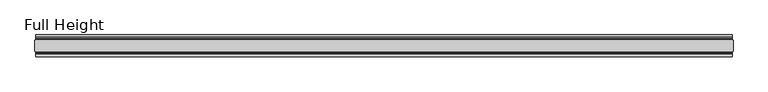
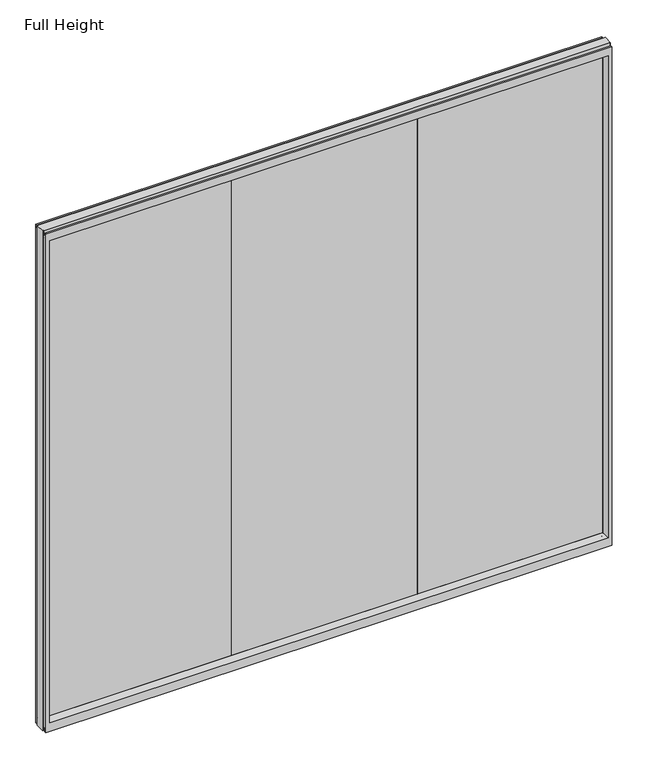
"""IFC4 building model written with IfcOpenShell, lengths in millimetres: plate geometry, Full Height."""

from ifc_helpers import new_model, si_unit, frame, origin, place, context, project, spatial, polyline, circle_curve, outline, extrude, source, transform, mapped, element, save
from ifc_brep_helpers import plane_surface, cylinder_surface, revolved_surface, advanced_brep


def full_height_3cfaab78(model_context):
    return source(origin(), model_context, "Body", "SolidModel", [
        extrude(outline(polyline([(525.43075, 6.35), (525.43075, -6.35), (-525.43075, -6.35), (-525.43075, 6.35), (525.43075, 6.35)])), frame((0.0, 0.0, 58.801), z_axis=(0.0, 0.0, 1.0), x_axis=(1.0, 0.0, 0.0)), (0.0, 0.0, 1.0), 2874.645),
        extrude(outline(polyline([(-525.43075, 6.35), (-525.43075, -6.35), (-1576.29225, -6.35), (-1576.29225, 6.35), (-525.43075, 6.35)])), frame((0.0, 0.0, 58.801), z_axis=(0.0, 0.0, 1.0), x_axis=(1.0, 0.0, 0.0)), (0.0, 0.0, 1.0), 2874.645),
        extrude(outline(polyline([(525.43075, 6.35), (1576.29225, 6.35), (1576.29225, -6.35), (525.43075, -6.35), (525.43075, 6.35)])), frame((0.0, 0.0, 58.801), z_axis=(0.0, 0.0, 1.0), x_axis=(1.0, 0.0, 0.0)), (0.0, 0.0, 1.0), 2874.645),
        advanced_brep(
        [(1608.93125, 25.146, 2993.136), (1604.35925, 25.146, 2993.136), (1604.35925, 26.67, 2993.136), (-1604.35925, 26.67, 2993.136), (-1604.35925, 25.146, 2993.136), (-1608.93125, 25.146, 2993.136), (-1608.93125, -25.146, 2993.136), (-1604.35925, -25.146, 2993.136), (-1604.35925, -26.67, 2993.136), (1604.35925, -26.67, 2993.136), (1604.35925, -25.146, 2993.136), (1608.93125, -25.146, 2993.136), (1608.93125, 25.146, 0.0), (1608.93125, -25.146, 0.0), (1604.35925, -25.146, 0.0), (1604.35925, -26.67, 0.0), (-1604.35925, -26.67, 0.0), (-1604.35925, -25.146, 0.0), (-1608.93125, -25.146, 0.0), (-1608.93125, 25.146, 0.0), (-1604.35925, 25.146, 0.0), (-1604.35925, 26.67, 0.0), (1604.35925, 26.67, 0.0), (1604.35925, 25.146, 0.0), (-1604.35925, 40.7946686, 0.0), (-1604.35925, 50.0, 0.0), (1604.35925, 50.0, 0.0), (1604.35925, 40.7946686, 0.0), (-1604.35925, 26.67, 36.4542208), (1604.35925, 26.67, 36.4542208), (-1604.35925, -26.67, 36.4542208), (-1604.35925, -34.2686707, 36.8568054), (-1604.35925, -36.9464913, 11.6561909), (-1604.35925, -39.043018, 8.6755976), (-1604.35925, -39.5246686, 7.9074686), (-1604.35925, -39.5246686, 1.27), (-1604.35925, -40.7946686, 0.0), (-1604.35925, -50.0, 0.0), (-1604.35925, -50.0, 2983.992), (-1604.35925, -39.9371387, 2983.992), (-1604.35925, -39.1867152, 2983.3623199), (-1604.35925, -34.2321175, 2955.2634004), (-1604.35925, -26.67, 2955.925), (-1604.35925, 39.5246686, 1.27), (-1604.35925, 39.5246686, 7.9074686), (-1604.35925, 39.043018, 8.6755976), (-1604.35925, 36.9464913, 11.6561909), (-1604.35925, 34.2686707, 36.8568054), (-1604.35925, 26.67, 2955.925), (-1604.35925, 34.2321175, 2955.2634004), (-1604.35925, 39.1867152, 2983.3623199), (-1604.35925, 39.9371387, 2983.992), (-1604.35925, 50.0, 2983.992), (1604.35925, -50.0, 0.0), (1604.35925, -50.0, 2983.992), (-1582.26125, -50.0, 2939.415), (1582.26125, -50.0, 2939.415), (1582.26125, -50.0, 52.8372208), (-1582.26125, -50.0, 52.8372208), (1604.35925, 50.0, 2983.992), (-1582.26125, 50.0, 52.8372208), (1582.26125, 50.0, 52.8372208), (1582.26125, 50.0, 2939.415), (-1582.26125, 50.0, 2939.415), (-1576.29225, -6.1006519, 58.8062208), (-1576.29225, -6.1006519, 2933.446), (-1576.29225, 6.1006519, 2933.446), (-1576.29225, 6.1006519, 58.8062208), (1576.29225, 6.1006519, 58.8062208), (1576.29225, 6.1006519, 2933.446), (1576.29225, -6.1006519, 2933.446), (1576.29225, -6.1006519, 58.8062208), (1604.35925, -40.7946686, 0.0), (1604.35925, -39.5246686, 1.27), (1604.35925, -39.5246686, 7.9074686), (1604.35925, -39.043018, 8.6755976), (1604.35925, -36.9464913, 11.6561909), (1604.35925, -34.2686707, 36.8568054), (1604.35925, -26.67, 36.4542208), (1604.35925, -26.67, 2955.925), (1604.35925, -34.2321175, 2955.2634004), (1604.35925, -39.1867152, 2983.3623199), (1604.35925, -39.9371387, 2983.992), (1604.35925, 39.9371387, 2983.992), (1604.35925, 39.1867152, 2983.3623199), (1604.35925, 34.2321175, 2955.2634004), (1604.35925, 26.67, 2955.925), (1604.35925, 34.2686707, 36.8568054), (1604.35925, 36.9464913, 11.6561909), (1604.35925, 39.043018, 8.6755976), (1604.35925, 39.5246686, 7.9074686), (1604.35925, 39.5246686, 1.27)],
        [
            (0, 1),
            (1, 2),
            (2, 3),
            (3, 4),
            (4, 5),
            (5, 6),
            (6, 7),
            (7, 8),
            (8, 9),
            (9, 10),
            (10, 11),
            (11, 0),
            (12, 13),
            (13, 14),
            (14, 15),
            (15, 16),
            (16, 17),
            (17, 18),
            (18, 19),
            (19, 20),
            (20, 21),
            (21, 22),
            (22, 23),
            (23, 12),
            (23, 1),
            (0, 12),
            (10, 14),
            (13, 11),
            (5, 19),
            (18, 6),
            (17, 7),
            (4, 20),
            (24, 25),
            (25, 26),
            (26, 27),
            (27, 24),
            (21, 28),
            (28, 29),
            (29, 22),
            (16, 30),
            (30, 31, circle_curve(frame((-1604.35925, -30.48, 36.4542208), z_axis=(1.0, 0.0, 0.0), x_axis=(0.0, -1.0, 0.0)), 3.81)),
            (31, 32),
            (32, 33, circle_curve(frame((-1604.35925, -40.6770502, 12.0526006), z_axis=(-1.0, 0.0, 0.0), x_axis=(0.0, -1.0, 0.0)), 3.751561)),
            (33, 34, circle_curve(frame((-1604.35925, -38.671343, 7.9074686), z_axis=(1.0, 0.0, 0.0), x_axis=(0.0, -1.0, 0.0)), 0.8533256)),
            (34, 35),
            (35, 36, circle_curve(frame((-1604.35925, -40.7946686, 1.27), z_axis=(-1.0, 0.0, 0.0), x_axis=(0.0, -1.0, 0.0)), 1.27)),
            (36, 37),
            (37, 38),
            (38, 39),
            (39, 40, circle_curve(frame((-1604.35925, -39.9371387, 2983.23), z_axis=(-1.0, 0.0, 0.0), x_axis=(0.0, -1.0, 0.0)), 0.762)),
            (40, 41),
            (41, 42, circle_curve(frame((-1604.35925, -30.48, 2955.925), z_axis=(1.0, 0.0, 0.0), x_axis=(0.0, -1.0, 0.0)), 3.81)),
            (42, 8),
            (24, 43, circle_curve(frame((-1604.35925, 40.7946686, 1.27), z_axis=(-1.0, 0.0, 0.0), x_axis=(0.0, -1.0, 0.0)), 1.27)),
            (43, 44),
            (44, 45, circle_curve(frame((-1604.35925, 38.671343, 7.9074686), z_axis=(1.0, 0.0, 0.0), x_axis=(0.0, -1.0, 0.0)), 0.8533256)),
            (45, 46, circle_curve(frame((-1604.35925, 40.6770502, 12.0526006), z_axis=(-1.0, 0.0, 0.0), x_axis=(0.0, -1.0, 0.0)), 3.751561)),
            (46, 47),
            (47, 28, circle_curve(frame((-1604.35925, 30.48, 36.4542208), z_axis=(1.0, 0.0, 0.0), x_axis=(0.0, -1.0, 0.0)), 3.81)),
            (3, 48),
            (48, 49, circle_curve(frame((-1604.35925, 30.48, 2955.925), z_axis=(1.0, 0.0, 0.0), x_axis=(0.0, -1.0, 0.0)), 3.81)),
            (49, 50),
            (50, 51, circle_curve(frame((-1604.35925, 39.9371387, 2983.23), z_axis=(-1.0, 0.0, 0.0), x_axis=(0.0, -1.0, 0.0)), 0.762)),
            (51, 52),
            (52, 25),
            (37, 53),
            (53, 54),
            (54, 38),
            (55, 56),
            (56, 57),
            (57, 58),
            (58, 55),
            (52, 59),
            (59, 26),
            (60, 61),
            (61, 62),
            (62, 63),
            (63, 60),
            (58, 64),
            (64, 65),
            (65, 55),
            (63, 66),
            (66, 67),
            (67, 60),
            (61, 68),
            (68, 69),
            (69, 62),
            (70, 71),
            (71, 57),
            (56, 70),
            (53, 72),
            (72, 73, circle_curve(frame((1604.35925, -40.7946686, 1.27), z_axis=(1.0, 0.0, 0.0), x_axis=(0.0, -1.0, 0.0)), 1.27)),
            (73, 74),
            (74, 75, circle_curve(frame((1604.35925, -38.671343, 7.9074686), z_axis=(-1.0, 0.0, 0.0), x_axis=(0.0, -1.0, 0.0)), 0.8533256)),
            (75, 76, circle_curve(frame((1604.35925, -40.6770502, 12.0526006), z_axis=(1.0, 0.0, 0.0), x_axis=(0.0, -1.0, 0.0)), 3.751561)),
            (76, 77),
            (77, 78, circle_curve(frame((1604.35925, -30.48, 36.4542208), z_axis=(-1.0, 0.0, 0.0), x_axis=(0.0, -1.0, 0.0)), 3.81)),
            (78, 15),
            (9, 79),
            (79, 80, circle_curve(frame((1604.35925, -30.48, 2955.925), z_axis=(-1.0, 0.0, 0.0), x_axis=(0.0, -1.0, 0.0)), 3.81)),
            (80, 81),
            (81, 82, circle_curve(frame((1604.35925, -39.9371387, 2983.23), z_axis=(1.0, 0.0, 0.0), x_axis=(0.0, -1.0, 0.0)), 0.762)),
            (82, 54),
            (59, 83),
            (83, 84, circle_curve(frame((1604.35925, 39.9371387, 2983.23), z_axis=(1.0, 0.0, 0.0), x_axis=(0.0, -1.0, 0.0)), 0.762)),
            (84, 85),
            (85, 86, circle_curve(frame((1604.35925, 30.48, 2955.925), z_axis=(-1.0, 0.0, 0.0), x_axis=(0.0, -1.0, 0.0)), 3.81)),
            (86, 2),
            (29, 87, circle_curve(frame((1604.35925, 30.48, 36.4542208), z_axis=(-1.0, 0.0, 0.0), x_axis=(0.0, -1.0, 0.0)), 3.81)),
            (87, 88),
            (88, 89, circle_curve(frame((1604.35925, 40.6770502, 12.0526006), z_axis=(1.0, 0.0, 0.0), x_axis=(0.0, -1.0, 0.0)), 3.751561)),
            (89, 90, circle_curve(frame((1604.35925, 38.671343, 7.9074686), z_axis=(-1.0, 0.0, 0.0), x_axis=(0.0, -1.0, 0.0)), 0.8533256)),
            (90, 91),
            (91, 27, circle_curve(frame((1604.35925, 40.7946686, 1.27), z_axis=(1.0, 0.0, 0.0), x_axis=(0.0, -1.0, 0.0)), 1.27)),
            (91, 43),
            (90, 44),
            (89, 45),
            (88, 46),
            (87, 47),
            (78, 30),
            (31, 77),
            (76, 32),
            (75, 33),
            (74, 34),
            (73, 35),
            (72, 36),
            (71, 64),
            (67, 68),
            (86, 48),
            (85, 49),
            (84, 50),
            (83, 51),
            (69, 66),
            (65, 70),
            (82, 39),
            (81, 40),
            (80, 41),
            (79, 42),
            (65, 66),
            (69, 70),
            (71, 68),
            (67, 64),
        ],
        [
            plane_surface(frame((1604.35925, 25.146, 2993.136), z_axis=(0.0, 0.0, 1.0), x_axis=(-1.0, 0.0, 0.0))),
            plane_surface(frame((1604.35925, 25.146, 0.0), z_axis=(0.0, 0.0, -1.0), x_axis=(1.0, 0.0, 0.0))),
            plane_surface(frame((1608.93125, 25.146, 2993.136), z_axis=(0.0, 1.0, 0.0), x_axis=(0.0, 0.0, -1.0))),
            plane_surface(frame((1604.35925, -25.146, 2993.136), z_axis=(0.0, -1.0, 0.0), x_axis=(0.0, 0.0, -1.0))),
            plane_surface(frame((1608.93125, -25.146, 2993.136), z_axis=(1.0, 0.0, 0.0), x_axis=(0.0, 0.0, -1.0))),
            plane_surface(frame((-1608.93125, 25.146, 2993.136), z_axis=(-1.0, 0.0, 0.0), x_axis=(0.0, 0.0, -1.0))),
            plane_surface(frame((-1608.93125, -25.146, 2993.136), z_axis=(0.0, -1.0, 0.0), x_axis=(0.0, 0.0, -1.0))),
            plane_surface(frame((-1604.35925, 25.146, 2993.136), z_axis=(0.0, 1.0, 0.0), x_axis=(0.0, 0.0, -1.0))),
            plane_surface(frame((-1604.35925, 50.0, 0.0), z_axis=(0.0, 0.0, -1.0), x_axis=(1.0, 0.0, 0.0))),
            plane_surface(frame((-1604.35925, 26.67, 36.4542208), z_axis=(0.0, 1.0, 0.0), x_axis=(1.0, 0.0, 0.0))),
            plane_surface(frame((-1604.35925, 50.0, 2951.2006), z_axis=(-1.0, 0.0, 0.0), x_axis=(0.0, 0.0, -1.0))),
            plane_surface(frame((-1604.35925, -50.0, 2951.2006), z_axis=(0.0, -1.0, 0.0), x_axis=(0.0, 0.0, -1.0))),
            plane_surface(frame((-1582.26125, 50.0, 2951.2006), z_axis=(0.0, 1.0, 0.0), x_axis=(0.0, 0.0, -1.0))),
            plane_surface(frame((-1582.26125, -50.0, 2951.2006), z_axis=(0.9908822943533606, -0.13473039277393942, 0.0), x_axis=(0.0, 0.0, -1.0))),
            plane_surface(frame((-1576.29225, 6.1006519, 2951.2006), z_axis=(0.9908822943533612, 0.13473039277393595, 0.0), x_axis=(0.0, 0.0, -1.0))),
            plane_surface(frame((1582.26125, 50.0, 2951.2006), z_axis=(-0.9908822943533593, 0.13473039277394933, 0.0), x_axis=(0.0, 0.0, -1.0))),
            plane_surface(frame((1576.29225, -6.1006519, 2951.2006), z_axis=(-0.9908822943533551, -0.13473039277398055, 0.0), x_axis=(0.0, 0.0, -1.0))),
            plane_surface(frame((1604.35925, -50.0, 2951.2006), z_axis=(1.0, 0.0, 0.0), x_axis=(0.0, 0.0, -1.0))),
            cylinder_surface(frame((1604.35925, 40.7946686, 1.27), z_axis=(-1.0, 0.0, 0.0), x_axis=(0.0, -1.0, 0.0)), 1.27),
            plane_surface(frame((-1604.35925, 39.5246686, 1.27), z_axis=(0.0, -1.0, 0.0), x_axis=(1.0, 0.0, 0.0))),
            revolved_surface(polyline([(1604.35925, 37.8180174, 7.9074686), (-1604.35925, 37.8180174, 7.9074686)]), (1604.35925, 38.671343, 7.9074686), (1.0, 0.0, 0.0)),
            cylinder_surface(frame((1604.35925, 40.6770502, 12.0526006), z_axis=(-1.0, 0.0, 0.0), x_axis=(0.0, -1.0, 0.0)), 3.751561),
            plane_surface(frame((-1604.35925, 36.9464913, 11.6561909), z_axis=(0.0, -0.9944017560866673, -0.1056652615184024), x_axis=(1.0, 0.0, 0.0))),
            plane_surface(frame((-1604.35925, -26.67, 0.0), z_axis=(0.0, -1.0, 0.0), x_axis=(1.0, 0.0, 0.0))),
            plane_surface(frame((-1604.35925, -34.2686707, 36.8568054), z_axis=(0.0, 0.9944017560866221, -0.1056652615188275), x_axis=(1.0, 0.0, 0.0))),
            cylinder_surface(frame((1604.35925, -40.6770502, 12.0526006), z_axis=(-1.0, 0.0, 0.0), x_axis=(0.0, -1.0, 0.0)), 3.751561),
            revolved_surface(polyline([(1604.35925, -39.5246686, 7.9074686), (-1604.35925, -39.5246686, 7.9074686)]), (1604.35925, -38.671343, 7.9074686), (1.0, 0.0, 0.0)),
            plane_surface(frame((-1604.35925, -39.5246686, 7.9074686), z_axis=(0.0, 1.0, 0.0), x_axis=(1.0, 0.0, 0.0))),
            cylinder_surface(frame((1604.35925, -40.7946686, 1.27), z_axis=(-1.0, 0.0, 0.0), x_axis=(0.0, -1.0, 0.0)), 1.27),
            plane_surface(frame((-1604.35925, -40.7946686, 0.0), z_axis=(0.0, 0.0, -1.0), x_axis=(1.0, 0.0, 0.0))),
            plane_surface(frame((-1604.35925, -50.0, 52.8372208), z_axis=(0.0, -0.13473039277394736, 0.9908822943533596), x_axis=(1.0, 0.0, 0.0))),
            plane_surface(frame((-1604.35925, 6.1006519, 58.8062208), z_axis=(0.0, 0.13473039277399934, 0.9908822943533526), x_axis=(1.0, 0.0, 0.0))),
            revolved_surface(polyline([(1604.35925, 26.67, 36.4542208), (-1604.35925, 26.67, 36.4542208)]), (1604.35925, 30.48, 36.4542208), (1.0, 0.0, 0.0)),
            revolved_surface(polyline([(1604.35925, -34.29, 36.4542208), (-1604.35925, -34.29, 36.4542208)]), (1604.35925, -30.48, 36.4542208), (1.0, 0.0, 0.0)),
            plane_surface(frame((-1604.35925, 26.67, 2993.136), z_axis=(0.0, 1.0, 0.0), x_axis=(1.0, 0.0, 0.0))),
            revolved_surface(polyline([(1604.35925, 26.67, 2955.925), (-1604.35925, 26.67, 2955.925)]), (-1608.93125, 30.48, 2955.925), (1.0, 0.0, 0.0)),
            plane_surface(frame((-1604.35925, 34.2321175, 2955.2634004), z_axis=(0.0, -0.9848077530113117, 0.17364817767201418), x_axis=(1.0, 0.0, 0.0))),
            cylinder_surface(frame((-1608.93125, 39.9371387, 2983.23), z_axis=(-1.0, 0.0, 0.0), x_axis=(0.0, -1.0, 0.0)), 0.762),
            plane_surface(frame((-1604.35925, 39.9371387, 2983.992), z_axis=(0.0, 0.0, 1.0), x_axis=(1.0, 0.0, 0.0))),
            plane_surface(frame((-1604.35925, 50.0, 2939.415), z_axis=(0.0, 0.13473039277345047, -0.9908822943534271), x_axis=(1.0, 0.0, 0.0))),
            plane_surface(frame((-1604.35925, -6.1006519, 2933.446), z_axis=(0.0, -0.13473039277247864, -0.9908822943535593), x_axis=(1.0, 0.0, 0.0))),
            plane_surface(frame((-1604.35925, -50.0, 2983.992), z_axis=(0.0, 0.0, 1.0), x_axis=(1.0, 0.0, 0.0))),
            cylinder_surface(frame((-1608.93125, -39.9371387, 2983.23), z_axis=(-1.0, 0.0, 0.0), x_axis=(0.0, -1.0, 0.0)), 0.762),
            plane_surface(frame((-1604.35925, -39.1867152, 2983.3623199), z_axis=(0.0, 0.9848077530103958, 0.17364817767720828), x_axis=(1.0, 0.0, 0.0))),
            revolved_surface(polyline([(1604.35925, -34.29, 2955.925), (-1604.35925, -34.29, 2955.925)]), (-1608.93125, -30.48, 2955.925), (1.0, 0.0, 0.0)),
            plane_surface(frame((-1604.35925, -26.67, 2955.925), z_axis=(0.0, -1.0, 0.0), x_axis=(1.0, 0.0, 0.0))),
            plane_surface(frame((-1604.35925, 6.1006519, 2933.446), z_axis=(0.0, 0.0, -1.0), x_axis=(1.0, 0.0, 0.0))),
            plane_surface(frame((-1604.35925, -6.1006519, 58.8062208), z_axis=(0.0, 0.0, 1.0), x_axis=(1.0, 0.0, 0.0))),
            plane_surface(frame((-1576.29225, -6.1006519, 2951.2006), z_axis=(1.0, 0.0, 0.0), x_axis=(0.0, 0.0, -1.0))),
            plane_surface(frame((1576.29225, 6.1006519, 2951.2006), z_axis=(-1.0, 0.0, 0.0), x_axis=(0.0, 0.0, -1.0))),
        ],
        [
            (0, [[1, 2, 3, 4, 5, 6, 7, 8, 9, 10, 11, 12]]),
            (1, [[13, 14, 15, 16, 17, 18, 19, 20, 21, 22, 23, 24]]),
            (2, [[25, -1, 26, -24]]),
            (3, [[-11, 27, -14, 28]]),
            (4, [[-12, -28, -13, -26]]),
            (5, [[-6, 29, -19, 30]]),
            (6, [[31, -7, -30, -18]]),
            (7, [[-5, 32, -20, -29]]),
            (8, [[33, 34, 35, 36]]),
            (9, [[37, 38, 39, -22]]),
            (10, [[-17, 40, 41, 42, 43, 44, 45, 46, 47, 48, 49, 50, 51, 52, 53, -8, -31]]),
            (10, [[-33, 54, 55, 56, 57, 58, 59, -37, -21, -32, -4, 60, 61, 62, 63, 64, 65]]),
            (11, [[-48, 66, 67, 68], [69, 70, 71, 72]]),
            (12, [[-65, 73, 74, -34], [75, 76, 77, 78]]),
            (13, [[-72, 79, 80, 81]]),
            (14, [[-78, 82, 83, 84]]),
            (15, [[-76, 85, 86, 87]]),
            (16, [[88, 89, -70, 90]]),
            (17, [[-67, 91, 92, 93, 94, 95, 96, 97, 98, -15, -27, -10, 99, 100, 101, 102, 103]]),
            (17, [[-74, 104, 105, 106, 107, 108, -2, -25, -23, -39, 109, 110, 111, 112, 113, 114, -35]]),
            (18, [[-54, -36, -114, 115]]),
            (19, [[-55, -115, -113, 116]]),
            (20, [[-56, -116, -112, 117]]),
            (21, [[-57, -117, -111, 118]]),
            (22, [[-58, -118, -110, 119]]),
            (23, [[-40, -16, -98, 120]]),
            (24, [[-42, 121, -96, 122]]),
            (25, [[-43, -122, -95, 123]]),
            (26, [[-44, -123, -94, 124]]),
            (27, [[-45, -124, -93, 125]]),
            (28, [[-46, -125, -92, 126]]),
            (29, [[-47, -126, -91, -66]]),
            (30, [[-71, -89, 127, -79]]),
            (31, [[-75, -84, 128, -85]]),
            (32, [[-59, -119, -109, -38]]),
            (33, [[-41, -120, -97, -121]]),
            (34, [[-60, -3, -108, 129]]),
            (35, [[-61, -129, -107, 130]]),
            (36, [[-62, -130, -106, 131]]),
            (37, [[-63, -131, -105, 132]]),
            (38, [[-64, -132, -104, -73]]),
            (39, [[-77, -87, 133, -82]]),
            (40, [[-69, -81, 134, -90]]),
            (41, [[-49, -68, -103, 135]]),
            (42, [[-50, -135, -102, 136]]),
            (43, [[-51, -136, -101, 137]]),
            (44, [[-52, -137, -100, 138]]),
            (45, [[-53, -138, -99, -9]]),
            (46, [[-134, 139, -133, 140]]),
            (47, [[-127, 141, -128, 142]]),
            (48, [[-83, -139, -80, -142]]),
            (49, [[-88, -140, -86, -141]]),
        ],
    ),
        extrude(outline(polyline([(-1576.29225, 6.35), (1576.29225, 6.35), (1576.29225, -6.35), (-1576.29225, -6.35), (-1576.29225, 6.35)])), frame((0.0, 0.0, 58.8062208), z_axis=(0.0, 0.0, 1.0), x_axis=(1.0, 0.0, 0.0)), (0.0, 0.0, 1.0), 2874.6397792),
    ])


if __name__ == "__main__":
    model = new_model("IFC4")
    model_context = context("Model", 3, world=origin())
    ifc_project = project(units=[si_unit("LENGTHUNIT", "METRE", prefix="MILLI")], contexts=[model_context])
    site = spatial("IfcSite", under=ifc_project)
    building = spatial("IfcBuilding", under=site)
    placement = place(None, origin())
    full_height_shape = full_height_3cfaab78(model_context)
    element("IfcPlate", 1, ObjectType="Full Height", at=placement, inside=building, context=model_context, shape_type="MappedRepresentation", body=[
        mapped(full_height_shape, transform((0.0, 0.0, 0.0), x_axis=(1.0, 0.0, 0.0), y_axis=(0.0, 1.0, 0.0), z_axis=(0.0, 0.0, 1.0))),
    ])
    save(model, "model.ifc")
